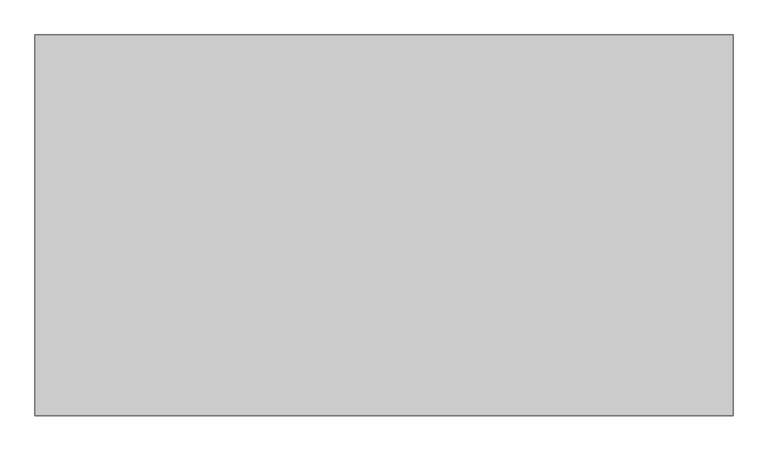
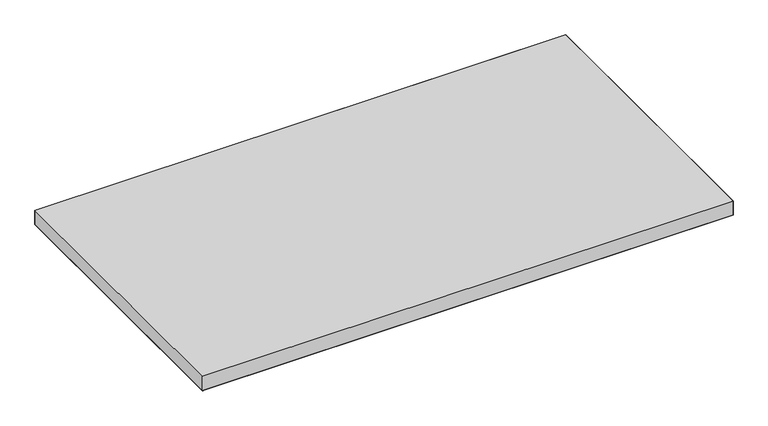
"""IFC4 building model written with IfcOpenShell, lengths in millimetres: furniture geometry."""

from ifc_helpers import new_model, si_unit, origin, place, context, project, spatial, triangles, source, transform, mapped, element, save


def furniture_48f50c6b(model_context):
    return source(origin(), model_context, "Body", "Tessellation", [
        triangles([(1065.2759651, -1.524, 725.4240349), (1.524, -1.524, 725.4240349), (1.524, -582.6759893, 725.4240349), (1065.2759651, -582.6759893, 725.4240349), (1065.2759651, -1.524, 695.5536198), (1065.2759651, -582.6759893, 695.5536198), (1.524, -582.6759893, 695.5536198), (1.524, -1.524, 695.5536198)], [[1, 2, 3], [1, 3, 4], [5, 6, 7], [5, 7, 8]], closed=False),
        triangles([(1.524, -1.524, 725.4240349), (1065.2759651, -1.524, 725.4240349), (1065.2759651, -1.524, 695.5536198), (1.524, -1.524, 695.5536198), (1.524, -582.6759893, 695.5536198), (1065.2759651, -582.6759893, 695.5536198), (1065.2759651, -582.6759893, 725.4240349), (1.524, -582.6759893, 725.4240349)], [[1, 2, 3], [1, 3, 4], [5, 6, 7], [5, 7, 8], [5, 8, 1], [5, 1, 4], [2, 7, 6], [2, 6, 3]], closed=False),
    ])


if __name__ == "__main__":
    model = new_model("IFC4")
    model_context = context("Model", 3, world=origin())
    ifc_project = project(units=[si_unit("LENGTHUNIT", "METRE", prefix="MILLI")], contexts=[model_context])
    site = spatial("IfcSite", under=ifc_project)
    building = spatial("IfcBuilding", under=site)
    placement = place(None, origin())
    furniture_shape = furniture_48f50c6b(model_context)
    element("IfcFurniture", 1, at=placement, inside=building, context=model_context, shape_type="MappedRepresentation", body=[
        mapped(furniture_shape, transform((0.0, 0.0, 0.0), x_axis=(1.0, 0.0, 0.0), y_axis=(0.0, 1.0, 0.0), z_axis=(0.0, 0.0, 1.0))),
    ])
    save(model, "model.ifc")
